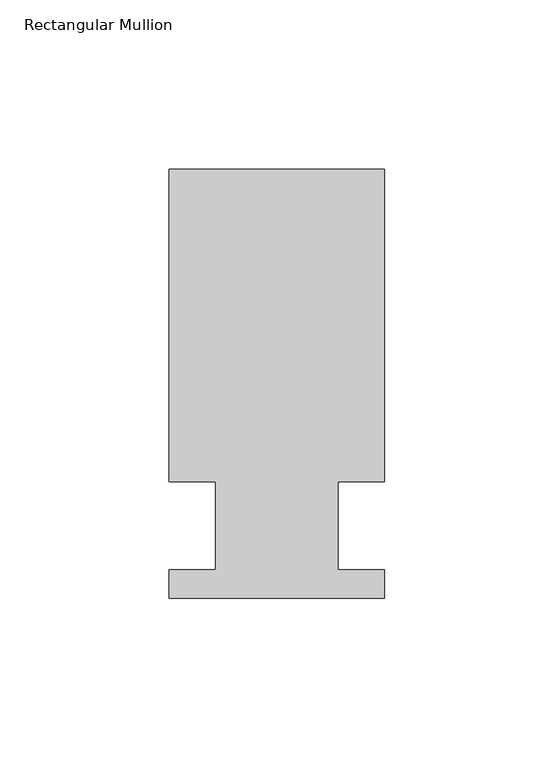
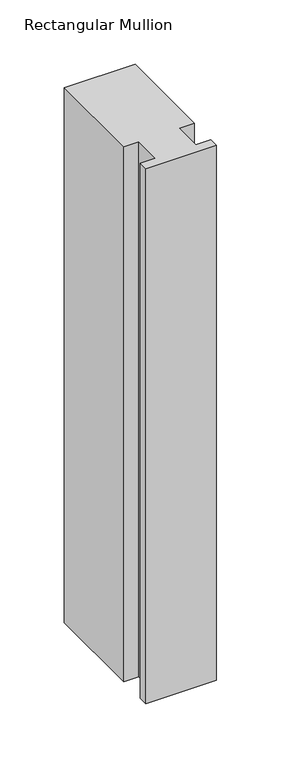
"""IFC4 building model written with IfcOpenShell, lengths in millimetres: member geometry, Rectangular Mullion."""

from ifc_helpers import new_model, si_unit, frame, origin, place, context, project, spatial, polyline, outline, extrude, source, transform, mapped, element, save


def rectangular_mullion_712c2858(model_context):
    return source(origin(), model_context, "Body", "SweptSolid", [
        extrude(outline(polyline([(-63.5, 126.4808875), (0.0, 126.4808875), (0.0, 34.3296875), (-13.6398, 34.3296875), (-13.6398, 8.3454875), (0.0, 8.3454875), (0.0, -0.0111125), (-63.5, -0.0111125), (-63.5, 8.3454875), (-49.9070313, 8.3454875), (-49.9070313, 34.3296875), (-63.5, 34.3296875), (-63.5, 126.4808875)])), frame((0.0, 0.0, -508.0), z_axis=(0.0, 0.0, 1.0), x_axis=(1.0, 0.0, 0.0)), (0.0, 0.0, 1.0), 508.0),
    ])


if __name__ == "__main__":
    model = new_model("IFC4")
    model_context = context("Model", 3, world=origin())
    ifc_project = project(units=[si_unit("LENGTHUNIT", "METRE", prefix="MILLI")], contexts=[model_context])
    site = spatial("IfcSite", under=ifc_project)
    building = spatial("IfcBuilding", under=site)
    placement = place(None, origin())
    rectangular_mullion_shape = rectangular_mullion_712c2858(model_context)
    element("IfcMember", 1, ObjectType="Rectangular Mullion", at=placement, inside=building, context=model_context, shape_type="MappedRepresentation", body=[
        mapped(rectangular_mullion_shape, transform((0.0, 0.0, 0.0), x_axis=(1.0, 0.0, 0.0), y_axis=(0.0, 1.0, 0.0), z_axis=(0.0, 0.0, 1.0))),
    ])
    save(model, "model.ifc")
